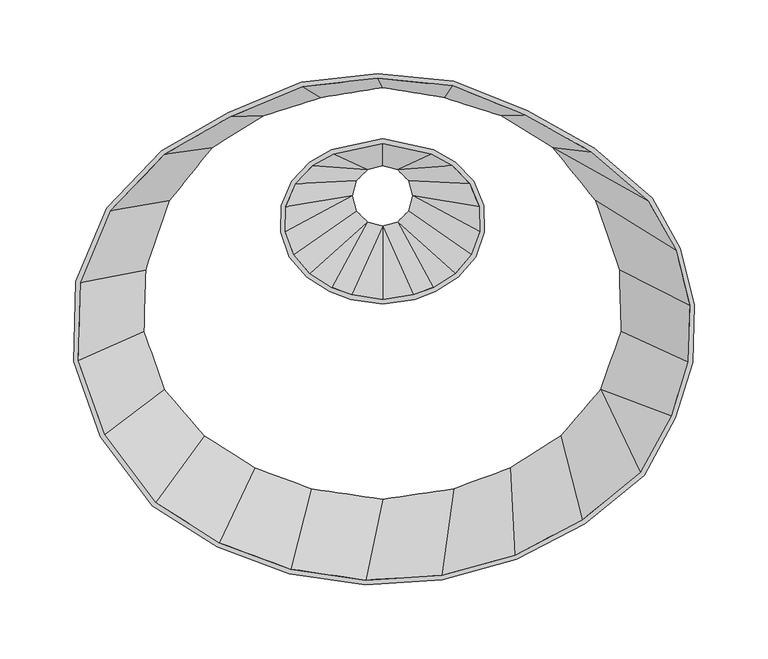
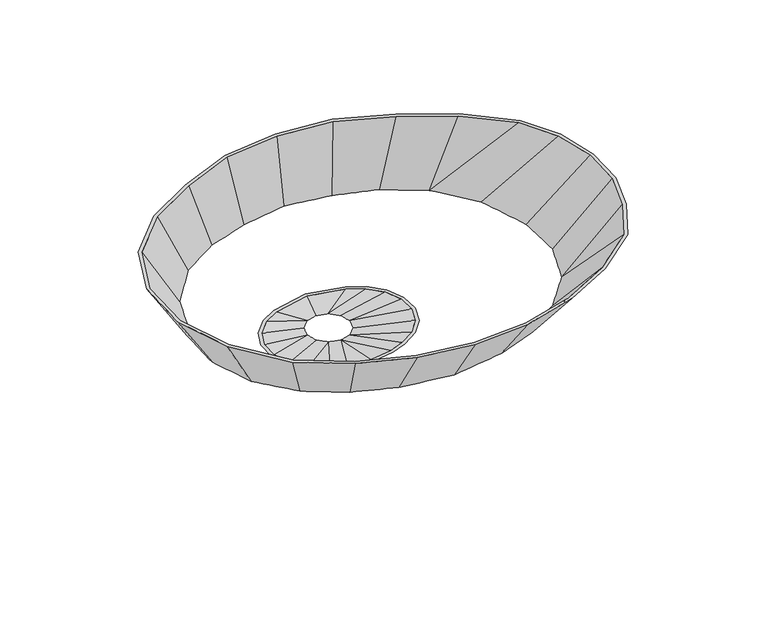
"""IFC4 building model written with IfcOpenShell, lengths in millimetres: furniture geometry."""

from ifc_helpers import new_model, si_unit, frame, origin, place, context, project, spatial, source, transform, mapped, element, save
from ifc_brep_helpers import plane_surface, spline_surface, advanced_brep


def furniture_0eb622ca(model_context):
    return source(origin(), model_context, "Body", "AdvancedBrep", [
        advanced_brep(
        [(18.7377049, -168.1204068, 750.6956955), (-15.5833152, -175.4794291, 750.6956955), (-30.5522779, -184.0432232, 750.6956955), (-42.9697976, -197.0068215, 750.6956955), (-49.8899966, -213.5706724, 750.6956955), (-50.3855513, -231.5151439, 750.6956955), (-44.3900597, -248.4356591, 750.6956955), (-32.7069066, -262.0648054, 750.6956955), (-17.1439621, -271.8912115, 750.6956955), (-2.9492076, -277.1476864, 750.6956955), (18.7377049, -280.3393492, 750.6956955), (40.4246174, -277.1476864, 750.6956955), (54.6193719, -271.8912115, 750.6956955), (70.1823164, -262.0648054, 750.6956955), (81.8654696, -248.4356591, 750.6956955), (87.8609612, -231.5151439, 750.6956955), (87.3654064, -213.5706724, 750.6956955), (80.4452074, -197.0068215, 750.6956955), (68.0276878, -184.0432232, 750.6956955), (53.058725, -175.4794291, 750.6956955), (-28.5770714, -186.5710742, 750.6956955), (-14.4350781, -178.480392, 750.6956955), (18.7377049, -171.3675717, 750.6956955), (51.910488, -178.480392, 750.6956955), (66.0524813, -186.5710742, 750.6956955), (77.7434795, -198.7762011, 750.6956955), (84.2079343, -214.2492051, 750.6956955), (84.6708533, -231.0119058, 750.6956955), (79.0702084, -246.8180821, 750.6956955), (68.0829473, -259.6354257, 750.6956955), (53.2052299, -269.0291811, 750.6956955), (39.6336228, -274.0548976, 750.6956955), (18.7377049, -277.1301497, 750.6956955), (-2.1582129, -274.0548976, 750.6956955), (-15.7298201, -269.0291811, 750.6956955), (-30.6075374, -259.6354257, 750.6956955), (-41.5947986, -246.8180821, 750.6956955), (-47.1954435, -231.0119058, 750.6956955), (-46.7325245, -214.2492051, 750.6956955), (-40.2680696, -198.7762011, 750.6956955), (18.7502473, -183.1179709, 740.1546495), (30.6564973, -186.3082376, 740.1546495), (39.3724806, -195.0242209, 740.1546495), (42.5627473, -206.9304709, 740.1546495), (39.3724806, -218.8367209, 740.1546495), (30.6564973, -227.5527041, 740.1546495), (18.7502473, -230.7429709, 740.1546495), (6.8439973, -227.5527041, 740.1546495), (-1.8719859, -218.8367209, 740.1546495), (-5.0622527, -206.9304709, 740.1546495), (-1.8719859, -195.0242209, 740.1546495), (6.8439973, -186.3082376, 740.1546495), (8.4874979, -189.154865, 740.1546495), (0.9746415, -196.6677215, 740.1546495), (-1.7752511, -206.9304709, 740.1546495), (0.9746415, -217.1932202, 740.1546495), (8.4874979, -224.7060767, 740.1546495), (18.7502473, -227.4559692, 740.1546495), (29.0129967, -224.7060767, 740.1546495), (36.5258531, -217.1932202, 740.1546495), (39.2757457, -206.9304709, 740.1546495), (36.5258531, -196.6677215, 740.1546495), (29.0129967, -189.154865, 740.1546495), (18.7502473, -186.4049725, 740.1546495)],
        [
            (0, 1),
            (1, 2),
            (2, 3),
            (3, 4),
            (4, 5),
            (5, 6),
            (6, 7),
            (7, 8),
            (8, 9),
            (9, 10),
            (10, 11),
            (11, 12),
            (12, 13),
            (13, 14),
            (14, 15),
            (15, 16),
            (16, 17),
            (17, 18),
            (18, 19),
            (19, 0),
            (20, 21),
            (21, 22),
            (22, 23),
            (23, 24),
            (24, 25),
            (25, 26),
            (26, 27),
            (27, 28),
            (28, 29),
            (29, 30),
            (30, 31),
            (31, 32),
            (32, 33),
            (33, 34),
            (34, 35),
            (35, 36),
            (36, 37),
            (37, 38),
            (38, 39),
            (39, 20),
            (40, 41),
            (41, 42),
            (42, 43),
            (43, 44),
            (44, 45),
            (45, 46),
            (46, 47),
            (47, 48),
            (48, 49),
            (49, 50),
            (50, 51),
            (51, 40),
            (52, 53),
            (53, 54),
            (54, 55),
            (55, 56),
            (56, 57),
            (57, 58),
            (58, 59),
            (59, 60),
            (60, 61),
            (61, 62),
            (62, 63),
            (63, 52),
            (0, 40),
            (51, 1),
            (51, 2),
            (50, 3),
            (49, 4),
            (49, 5),
            (48, 6),
            (47, 7),
            (47, 8),
            (46, 9),
            (46, 10),
            (46, 11),
            (45, 12),
            (45, 13),
            (44, 14),
            (43, 15),
            (43, 16),
            (42, 17),
            (41, 18),
            (41, 19),
            (20, 52),
            (52, 21),
            (39, 53),
            (38, 54),
            (37, 54),
            (36, 55),
            (35, 56),
            (34, 56),
            (33, 57),
            (32, 57),
            (31, 57),
            (30, 58),
            (29, 58),
            (28, 59),
            (27, 60),
            (26, 60),
            (25, 61),
            (24, 62),
            (23, 62),
            (22, 63),
        ],
        [
            plane_surface(frame((18.7377049, -228.538453, 750.6956955), z_axis=(0.0, 0.0, 1.0), x_axis=(-0.9777760359264014, -0.2096521489707481, 0.0))),
            plane_surface(frame((18.7502473, -206.9304709, 740.1546495), z_axis=(0.0, 0.0, -1.0), x_axis=(-0.9777760359264014, -0.2096521489707481, 0.0))),
            spline_surface(1, 1, [[(18.7502473, -183.1179709, 740.1546495), (18.7377049, -168.1204068, 750.6956955)], [(6.8439973, -186.3082376, 740.1546495), (-15.5833152, -175.4794291, 750.6956955)]], [2, 2], [2, 2], [0.0, 1.0], [0.0, 1.0]),
            plane_surface(frame((6.8439973, -186.3082376, 740.1546495), z_axis=(-0.22676185041430638, 0.3963651672834325, -0.889648086245936), x_axis=(-0.8679907178502557, -0.4965804201997878, 0.0))),
            spline_surface(1, 1, [[(6.8439973, -186.3082376, 740.1546495), (-30.5522779, -184.0432232, 750.6956955)], [(-1.8719859, -195.0242209, 740.1546495), (-42.9697976, -197.0068215, 750.6956955)]], [2, 2], [2, 2], [0.0, 1.0], [0.0, 1.0]),
            spline_surface(1, 1, [[(-1.8719859, -195.0242209, 740.1546495), (-42.9697976, -197.0068215, 750.6956955)], [(-5.0622527, -206.9304709, 740.1546495), (-49.8899966, -213.5706724, 750.6956955)]], [2, 2], [2, 2], [0.0, 1.0], [0.0, 1.0]),
            plane_surface(frame((-5.0622527, -206.9304709, 740.1546495), z_axis=(-0.22978835910847809, 0.006345838585882199, -0.9732199342136776), x_axis=(-0.02760548961262403, -0.9996188958514376, 0.0))),
            spline_surface(1, 1, [[(-5.0622527, -206.9304709, 740.1546495), (-50.3855513, -231.5151439, 750.6956955)], [(-1.8719859, -218.8367209, 740.1546495), (-44.3900597, -248.4356591, 750.6956955)]], [2, 2], [2, 2], [0.0, 1.0], [0.0, 1.0]),
            spline_surface(1, 1, [[(-1.8719859, -218.8367209, 740.1546495), (-44.3900597, -248.4356591, 750.6956955)], [(6.8439973, -227.5527041, 740.1546495), (-32.7069066, -262.0648054, 750.6956955)]], [2, 2], [2, 2], [0.0, 1.0], [0.0, 1.0]),
            plane_surface(frame((6.8439973, -227.5527041, 740.1546495), z_axis=(-0.10950888753115123, -0.17343886598891994, -0.978737331114006), x_axis=(0.8455581181800956, -0.5338833850006344, 0.0))),
            spline_surface(1, 1, [[(6.8439973, -227.5527041, 740.1546495), (-17.1439621, -271.8912115, 750.6956955)], [(18.7502473, -230.7429709, 740.1546495), (-2.9492076, -277.1476864, 750.6956955)]], [2, 2], [2, 2], [0.0, 1.0], [0.0, 1.0]),
            plane_surface(frame((18.7502473, -230.7429709, 740.1546495), z_axis=(-0.030580216171947783, -0.2077883882019196, -0.9776956766332383), x_axis=(0.9893432972940192, -0.14560164868365444, 0.0))),
            plane_surface(frame((18.7502473, -230.7429709, 740.1546495), z_axis=(0.03058239208429286, -0.20780317322883082, -0.9776924662133956), x_axis=(0.9893432972940192, 0.14560164868365444, 0.0))),
            spline_surface(1, 1, [[(18.7502473, -230.7429709, 740.1546495), (40.4246174, -277.1476864, 750.6956955)], [(30.6564973, -227.5527041, 740.1546495), (54.6193719, -271.8912115, 750.6956955)]], [2, 2], [2, 2], [0.0, 1.0], [0.0, 1.0]),
            plane_surface(frame((30.6564973, -227.5527041, 740.1546495), z_axis=(0.10953682581018129, -0.17348311430101493, -0.9787263625977647), x_axis=(0.8455581181800956, 0.5338833850006344, 0.0))),
            spline_surface(1, 1, [[(30.6564973, -227.5527041, 740.1546495), (70.1823164, -262.0648054, 750.6956955)], [(39.3724806, -218.8367209, 740.1546495), (81.8654696, -248.4356591, 750.6956955)]], [2, 2], [2, 2], [0.0, 1.0], [0.0, 1.0]),
            spline_surface(1, 1, [[(39.3724806, -218.8367209, 740.1546495), (81.8654696, -248.4356591, 750.6956955)], [(42.5627473, -206.9304709, 740.1546495), (87.8609612, -231.5151439, 750.6956955)]], [2, 2], [2, 2], [0.0, 1.0], [0.0, 1.0]),
            plane_surface(frame((42.5627473, -206.9304709, 740.1546495), z_axis=(0.2299107131132436, 0.00634921751581403, -0.9731910148746219), x_axis=(-0.02760548961262403, 0.9996188958514376, 0.0))),
            spline_surface(1, 1, [[(42.5627473, -206.9304709, 740.1546495), (87.3654064, -213.5706724, 750.6956955)], [(39.3724806, -195.0242209, 740.1546495), (80.4452074, -197.0068215, 750.6956955)]], [2, 2], [2, 2], [0.0, 1.0], [0.0, 1.0]),
            spline_surface(1, 1, [[(39.3724806, -195.0242209, 740.1546495), (80.4452074, -197.0068215, 750.6956955)], [(30.6564973, -186.3082376, 740.1546495), (68.0276878, -184.0432232, 750.6956955)]], [2, 2], [2, 2], [0.0, 1.0], [0.0, 1.0]),
            plane_surface(frame((30.6564973, -186.3082376, 740.1546495), z_axis=(0.2268707598977744, 0.39655553407376637, -0.8895354780439488), x_axis=(-0.8679907178502557, 0.4965804201997878, 0.0))),
            spline_surface(1, 1, [[(30.6564973, -186.3082376, 740.1546495), (53.058725, -175.4794291, 750.6956955)], [(18.7502473, -183.1179709, 740.1546495), (18.7377049, -168.1204068, 750.6956955)]], [2, 2], [2, 2], [0.0, 1.0], [0.0, 1.0]),
            plane_surface(frame((8.4874979, -189.154865, 740.1546495), z_axis=(0.22578689214725703, -0.3946610027782154, 0.8906531155397012), x_axis=(-0.8679907178502556, -0.4965804201997879, 0.0))),
            spline_surface(1, 1, [[(8.4874979, -189.154865, 740.1546495), (0.9746415, -196.6677215, 740.1546495)], [(-28.5770714, -186.5710742, 750.6956955), (-40.2680696, -198.7762011, 750.6956955)]], [2, 2], [2, 2], [0.0, 1.0], [0.0, 1.0]),
            spline_surface(1, 1, [[(0.9746415, -196.6677215, 740.1546495), (-1.7752511, -206.9304709, 740.1546495)], [(-40.2680696, -198.7762011, 750.6956955), (-46.7325245, -214.2492051, 750.6956955)]], [2, 2], [2, 2], [0.0, 1.0], [0.0, 1.0]),
            plane_surface(frame((-1.7752511, -206.9304709, 740.1546495), z_axis=(0.2292494726861555, -0.0063309566907964925, 0.9733471108810562), x_axis=(-0.02760548961262429, -0.9996188958514376, 0.0))),
            spline_surface(1, 1, [[(-1.7752511, -206.9304709, 740.1546495), (0.9746415, -217.1932202, 740.1546495)], [(-47.1954435, -231.0119058, 750.6956955), (-41.5947986, -246.8180821, 750.6956955)]], [2, 2], [2, 2], [0.0, 1.0], [0.0, 1.0]),
            spline_surface(1, 1, [[(0.9746415, -217.1932202, 740.1546495), (8.4874979, -224.7060767, 740.1546495)], [(-41.5947986, -246.8180821, 750.6956955), (-30.6075374, -259.6354257, 750.6956955)]], [2, 2], [2, 2], [0.0, 1.0], [0.0, 1.0]),
            plane_surface(frame((8.4874979, -224.7060767, 740.1546495), z_axis=(0.10928112966596355, 0.17307814580676173, 0.9788266394735201), x_axis=(0.845558118180096, -0.5338833850006338, 0.0))),
            spline_surface(1, 1, [[(8.4874979, -224.7060767, 740.1546495), (18.7502473, -227.4559692, 740.1546495)], [(-15.7298201, -269.0291811, 750.6956955), (-2.1582129, -274.0548976, 750.6956955)]], [2, 2], [2, 2], [0.0, 1.0], [0.0, 1.0]),
            plane_surface(frame((18.7502473, -227.4559692, 740.1546495), z_axis=(0.030534429642633518, 0.20747727499480403, 0.9777631763198744), x_axis=(0.9893432972940192, -0.14560164868365377, 0.0))),
            plane_surface(frame((18.7502473, -227.4559692, 740.1546495), z_axis=(-0.0305365991936145, 0.2074920167971156, 0.9777599802994363), x_axis=(0.989343297294019, 0.14560164868365397, 0.0))),
            spline_surface(1, 1, [[(18.7502473, -227.4559692, 740.1546495), (29.0129967, -224.7060767, 740.1546495)], [(39.6336228, -274.0548976, 750.6956955), (53.2052299, -269.0291811, 750.6956955)]], [2, 2], [2, 2], [0.0, 1.0], [0.0, 1.0]),
            plane_surface(frame((29.0129967, -224.7060767, 740.1546495), z_axis=(-0.10930895437872662, 0.1731222142539615, 0.9788157392606818), x_axis=(0.8455581181800956, 0.5338833850006343, 0.0))),
            spline_surface(1, 1, [[(29.0129967, -224.7060767, 740.1546495), (36.5258531, -217.1932202, 740.1546495)], [(68.0829473, -259.6354257, 750.6956955), (79.0702084, -246.8180821, 750.6956955)]], [2, 2], [2, 2], [0.0, 1.0], [0.0, 1.0]),
            spline_surface(1, 1, [[(36.5258531, -217.1932202, 740.1546495), (39.2757457, -206.9304709, 740.1546495)], [(79.0702084, -246.8180821, 750.6956955), (84.6708533, -231.0119058, 750.6956955)]], [2, 2], [2, 2], [0.0, 1.0], [0.0, 1.0]),
            plane_surface(frame((39.2757457, -206.9304709, 740.1546495), z_axis=(-0.22937126927186283, -0.006334320227035704, 0.9733183945759353), x_axis=(-0.02760548961262429, 0.9996188958514376, 0.0))),
            spline_surface(1, 1, [[(39.2757457, -206.9304709, 740.1546495), (36.5258531, -196.6677215, 740.1546495)], [(84.2079343, -214.2492051, 750.6956955), (77.7434795, -198.7762011, 750.6956955)]], [2, 2], [2, 2], [0.0, 1.0], [0.0, 1.0]),
            spline_surface(1, 1, [[(36.5258531, -196.6677215, 740.1546495), (29.0129967, -189.154865, 740.1546495)], [(77.7434795, -198.7762011, 750.6956955), (66.0524813, -186.5710742, 750.6956955)]], [2, 2], [2, 2], [0.0, 1.0], [0.0, 1.0]),
            plane_surface(frame((29.0129967, -189.154865, 740.1546495), z_axis=(-0.22589498904476804, -0.3948499492204255, 0.890541953826484), x_axis=(-0.8679907178502556, 0.496580420199788, 0.0))),
            spline_surface(1, 1, [[(29.0129967, -189.154865, 740.1546495), (18.7502473, -186.4049725, 740.1546495)], [(51.910488, -178.480392, 750.6956955), (18.7377049, -171.3675717, 750.6956955)]], [2, 2], [2, 2], [0.0, 1.0], [0.0, 1.0]),
            spline_surface(1, 1, [[(18.7502473, -186.4049725, 740.1546495), (8.4874979, -189.154865, 740.1546495)], [(18.7377049, -171.3675717, 750.6956955), (-14.4350781, -178.480392, 750.6956955)]], [2, 2], [2, 2], [0.0, 1.0], [0.0, 1.0]),
        ],
        [
            (0, [[1, 2, 3, 4, 5, 6, 7, 8, 9, 10, 11, 12, 13, 14, 15, 16, 17, 18, 19, 20], [21, 22, 23, 24, 25, 26, 27, 28, 29, 30, 31, 32, 33, 34, 35, 36, 37, 38, 39, 40]]),
            (1, [[41, 42, 43, 44, 45, 46, 47, 48, 49, 50, 51, 52], [53, 54, 55, 56, 57, 58, 59, 60, 61, 62, 63, 64]]),
            (2, [[-1, 65, -52, 66]]),
            (3, [[-2, -66, 67]]),
            (4, [[-3, -67, -51, 68]]),
            (5, [[-4, -68, -50, 69]]),
            (6, [[-5, -69, 70]]),
            (7, [[-6, -70, -49, 71]]),
            (8, [[-7, -71, -48, 72]]),
            (9, [[-8, -72, 73]]),
            (10, [[-9, -73, -47, 74]]),
            (11, [[-10, -74, 75]]),
            (12, [[-11, -75, 76]]),
            (13, [[-12, -76, -46, 77]]),
            (14, [[-13, -77, 78]]),
            (15, [[-14, -78, -45, 79]]),
            (16, [[-15, -79, -44, 80]]),
            (17, [[-16, -80, 81]]),
            (18, [[-17, -81, -43, 82]]),
            (19, [[-18, -82, -42, 83]]),
            (20, [[-19, -83, 84]]),
            (21, [[-20, -84, -41, -65]]),
            (22, [[85, 86, -21]]),
            (23, [[-85, -40, 87, -53]]),
            (24, [[-87, -39, 88, -54]]),
            (25, [[-88, -38, 89]]),
            (26, [[-89, -37, 90, -55]]),
            (27, [[-90, -36, 91, -56]]),
            (28, [[-91, -35, 92]]),
            (29, [[-92, -34, 93, -57]]),
            (30, [[-93, -33, 94]]),
            (31, [[-94, -32, 95]]),
            (32, [[-95, -31, 96, -58]]),
            (33, [[-96, -30, 97]]),
            (34, [[-97, -29, 98, -59]]),
            (35, [[-98, -28, 99, -60]]),
            (36, [[-99, -27, 100]]),
            (37, [[-100, -26, 101, -61]]),
            (38, [[-101, -25, 102, -62]]),
            (39, [[-102, -24, 103]]),
            (40, [[-103, -23, 104, -63]]),
            (41, [[-86, -64, -104, -22]]),
        ],
    ),
        advanced_brep(
        [(-36.2924981, -129.6580708, 887.48362), (-85.7509163, -150.3757834, 887.48362), (-130.8877143, -176.1986803, 887.48362), (-168.3309775, -215.2885726, 887.48362), (-189.1978451, -265.234452, 887.48362), (-190.6921126, -319.3434676, 887.48362), (-172.6135422, -370.3648446, 887.48362), (-137.3847014, -417.400709, 887.48362), (-93.2756205, -445.2510803, 887.48362), (-44.3564135, -463.366399, 887.48362), (7.2532996, -470.9617566, 887.48362), (59.3173637, -467.7081034, 887.48362), (109.5799207, -453.746383, 887.48362), (155.8631422, -429.6815364, 887.48362), (196.1616272, -396.5562328, 887.48362), (217.3921263, -357.6151867, 887.48362), (229.0085321, -320.1329179, 887.48362), (230.1622044, -280.908786, 887.48362), (220.7688461, -242.808568, 887.48362), (201.5147161, -208.6158513, 887.48362), (162.2176598, -174.5586278, 887.48362), (116.7947056, -149.2424405, 887.48362), (67.1596357, -129.0791999, 887.48362), (15.4037106, -124.03177, 887.48362), (-128.912508, -178.7265314, 887.48362), (-84.3439315, -153.2287157, 887.48362), (-35.4908467, -132.7645723, 887.48362), (15.4215704, -127.2235745, 887.48362), (66.3922003, -132.1944195, 887.48362), (115.4192187, -152.1106515, 887.48362), (160.3858146, -177.1724905, 887.48362), (199.0186923, -210.6540964, 887.48362), (217.7898193, -243.9890654, 887.48362), (226.9758448, -281.2483247, 887.48362), (225.8476366, -319.606692, 887.48362), (214.4530776, -356.3731352, 887.48362), (193.6691606, -394.4950589, 887.48362), (154.1036777, -427.0178358, 887.48362), (108.4100272, -450.7761364, 887.48362), (58.78773, -464.5600082, 887.48362), (7.3868729, -467.7722153, 887.48362), (-43.5654203, -460.2736097, 887.48362), (-91.8614786, -442.3890498, 887.48362), (-135.1944899, -415.0286871, 887.48362), (-169.7823793, -368.8485902, 887.48362), (-187.5020047, -318.8402284, 887.48362), (-186.0403729, -265.9129849, 887.48362), (-165.6292497, -217.0579524, 887.48362), (-24.0597237, -137.2040855, 819.3039971), (18.7377049, -130.2570379, 819.3039971), (61.5351335, -137.2040855, 819.3039971), (100.7101042, -149.7707967, 819.3039971), (136.4620281, -171.7890657, 819.3039971), (166.1200561, -208.6531673, 819.3039971), (182.6482714, -256.6473671, 819.3039971), (183.8318474, -299.5059975, 819.3039971), (169.5121819, -339.9189559, 819.3039971), (141.6081529, -372.4708933, 819.3039971), (106.67026, -394.530557, 819.3039971), (67.922389, -408.8793178, 819.3039971), (18.7377049, -416.1178339, 819.3039971), (-30.4469791, -408.8793178, 819.3039971), (-69.1948502, -394.530557, 819.3039971), (-104.1327431, -372.4708933, 819.3039971), (-132.036772, -339.9189559, 819.3039971), (-146.3564376, -299.5059975, 819.3039971), (-145.1728616, -256.6473671, 819.3039971), (-128.6446462, -208.6531673, 819.3039971), (-98.9866182, -171.7890657, 819.3039971), (-63.2346944, -149.7707967, 819.3039971), (-61.897904, -152.6763339, 819.3039971), (-96.8557965, -174.2055888, 819.3039971), (-125.8232407, -210.211314, 819.3039971), (-142.0124997, -257.2212613, 819.3039971), (-143.1663298, -299.0027578, 819.3039971), (-129.2415108, -338.3013803, 819.3039971), (-102.0333726, -370.041514, 819.3039971), (-67.7807095, -391.668526, 819.3039971), (-29.6559845, -405.7865291, 819.3039971), (18.7377049, -412.9086344, 819.3039971), (67.1313943, -405.7865291, 819.3039971), (105.2561194, -391.668526, 819.3039971), (139.5087825, -370.041514, 819.3039971), (166.7169206, -338.3013803, 819.3039971), (180.6417396, -299.0027578, 819.3039971), (179.4879095, -257.2212613, 819.3039971), (163.2986505, -210.211314, 819.3039971), (134.3312064, -174.2055888, 819.3039971), (99.3733139, -152.6763339, 819.3039971), (60.7917211, -140.2999691, 819.3039971), (18.7377049, -133.4735951, 819.3039971), (-23.3163113, -140.2999691, 819.3039971)],
        [
            (0, 1),
            (1, 2),
            (2, 3),
            (3, 4),
            (4, 5),
            (5, 6),
            (6, 7),
            (7, 8),
            (8, 9),
            (9, 10),
            (10, 11),
            (11, 12),
            (12, 13),
            (13, 14),
            (14, 15),
            (15, 16),
            (16, 17),
            (17, 18),
            (18, 19),
            (19, 20),
            (20, 21),
            (21, 22),
            (22, 23),
            (23, 0),
            (24, 25),
            (25, 26),
            (26, 27),
            (27, 28),
            (28, 29),
            (29, 30),
            (30, 31),
            (31, 32),
            (32, 33),
            (33, 34),
            (34, 35),
            (35, 36),
            (36, 37),
            (37, 38),
            (38, 39),
            (39, 40),
            (40, 41),
            (41, 42),
            (42, 43),
            (43, 44),
            (44, 45),
            (45, 46),
            (46, 47),
            (47, 24),
            (48, 49),
            (49, 50),
            (50, 51),
            (51, 52),
            (52, 53),
            (53, 54),
            (54, 55),
            (55, 56),
            (56, 57),
            (57, 58),
            (58, 59),
            (59, 60),
            (60, 61),
            (61, 62),
            (62, 63),
            (63, 64),
            (64, 65),
            (65, 66),
            (66, 67),
            (67, 68),
            (68, 69),
            (69, 48),
            (70, 71),
            (71, 72),
            (72, 73),
            (73, 74),
            (74, 75),
            (75, 76),
            (76, 77),
            (77, 78),
            (78, 79),
            (79, 80),
            (80, 81),
            (81, 82),
            (82, 83),
            (83, 84),
            (84, 85),
            (85, 86),
            (86, 87),
            (87, 88),
            (88, 89),
            (89, 90),
            (90, 91),
            (91, 70),
            (0, 48),
            (69, 1),
            (68, 2),
            (67, 3),
            (66, 4),
            (65, 5),
            (64, 6),
            (63, 7),
            (62, 8),
            (61, 9),
            (60, 10),
            (59, 11),
            (58, 12),
            (57, 13),
            (56, 14),
            (56, 15),
            (55, 16),
            (54, 17),
            (53, 18),
            (52, 19),
            (52, 20),
            (51, 21),
            (50, 22),
            (49, 23),
            (70, 25),
            (24, 71),
            (47, 72),
            (46, 73),
            (45, 74),
            (44, 75),
            (43, 76),
            (42, 77),
            (41, 78),
            (40, 79),
            (39, 80),
            (38, 81),
            (37, 82),
            (36, 83),
            (35, 83),
            (34, 84),
            (33, 85),
            (32, 86),
            (31, 87),
            (30, 87),
            (29, 88),
            (28, 89),
            (27, 90),
            (26, 91),
        ],
        [
            plane_surface(frame((30.8256312, -298.2553925, 887.48362), z_axis=(0.0, 0.0, 1.0), x_axis=(-0.9941296877717526, -0.10819502710770809, 0.0))),
            plane_surface(frame((18.7377049, -273.8688763, 819.3039971), z_axis=(0.0, 0.0, -1.0), x_axis=(-0.9941296877717526, -0.10819502710770809, 0.0))),
            spline_surface(1, 1, [[(-24.0597237, -137.2040855, 819.3039971), (-36.2924981, -129.6580708, 887.48362)], [(-63.2346944, -149.7707967, 819.3039971), (-85.7509163, -150.3757834, 887.48362)]], [2, 2], [2, 2], [0.0, 1.0], [0.0, 1.0]),
            spline_surface(1, 1, [[(-63.2346944, -149.7707967, 819.3039971), (-85.7509163, -150.3757834, 887.48362)], [(-98.9866182, -171.7890657, 819.3039971), (-130.8877143, -176.1986803, 887.48362)]], [2, 2], [2, 2], [0.0, 1.0], [0.0, 1.0]),
            spline_surface(1, 1, [[(-98.9866182, -171.7890657, 819.3039971), (-130.8877143, -176.1986803, 887.48362)], [(-128.6446462, -208.6531673, 819.3039971), (-168.3309775, -215.2885726, 887.48362)]], [2, 2], [2, 2], [0.0, 1.0], [0.0, 1.0]),
            spline_surface(1, 1, [[(-128.6446462, -208.6531673, 819.3039971), (-168.3309775, -215.2885726, 887.48362)], [(-145.1728616, -256.6473671, 819.3039971), (-189.1978451, -265.234452, 887.48362)]], [2, 2], [2, 2], [0.0, 1.0], [0.0, 1.0]),
            spline_surface(1, 1, [[(-145.1728616, -256.6473671, 819.3039971), (-189.1978451, -265.234452, 887.48362)], [(-146.3564376, -299.5059975, 819.3039971), (-190.6921126, -319.3434676, 887.48362)]], [2, 2], [2, 2], [0.0, 1.0], [0.0, 1.0]),
            spline_surface(1, 1, [[(-146.3564376, -299.5059975, 819.3039971), (-190.6921126, -319.3434676, 887.48362)], [(-132.036772, -339.9189559, 819.3039971), (-172.6135422, -370.3648446, 887.48362)]], [2, 2], [2, 2], [0.0, 1.0], [0.0, 1.0]),
            spline_surface(1, 1, [[(-132.036772, -339.9189559, 819.3039971), (-172.6135422, -370.3648446, 887.48362)], [(-104.1327431, -372.4708933, 819.3039971), (-137.3847014, -417.400709, 887.48362)]], [2, 2], [2, 2], [0.0, 1.0], [0.0, 1.0]),
            spline_surface(1, 1, [[(-104.1327431, -372.4708933, 819.3039971), (-137.3847014, -417.400709, 887.48362)], [(-69.1948502, -394.530557, 819.3039971), (-93.2756205, -445.2510803, 887.48362)]], [2, 2], [2, 2], [0.0, 1.0], [0.0, 1.0]),
            spline_surface(1, 1, [[(-69.1948502, -394.530557, 819.3039971), (-93.2756205, -445.2510803, 887.48362)], [(-30.4469791, -408.8793178, 819.3039971), (-44.3564135, -463.366399, 887.48362)]], [2, 2], [2, 2], [0.0, 1.0], [0.0, 1.0]),
            spline_surface(1, 1, [[(-30.4469791, -408.8793178, 819.3039971), (-44.3564135, -463.366399, 887.48362)], [(18.7377049, -416.1178339, 819.3039971), (7.2532996, -470.9617566, 887.48362)]], [2, 2], [2, 2], [0.0, 1.0], [0.0, 1.0]),
            spline_surface(1, 1, [[(18.7377049, -416.1178339, 819.3039971), (7.2532996, -470.9617566, 887.48362)], [(67.922389, -408.8793178, 819.3039971), (59.3173637, -467.7081034, 887.48362)]], [2, 2], [2, 2], [0.0, 1.0], [0.0, 1.0]),
            spline_surface(1, 1, [[(67.922389, -408.8793178, 819.3039971), (59.3173637, -467.7081034, 887.48362)], [(106.67026, -394.530557, 819.3039971), (109.5799207, -453.746383, 887.48362)]], [2, 2], [2, 2], [0.0, 1.0], [0.0, 1.0]),
            spline_surface(1, 1, [[(106.67026, -394.530557, 819.3039971), (109.5799207, -453.746383, 887.48362)], [(141.6081529, -372.4708933, 819.3039971), (155.8631422, -429.6815364, 887.48362)]], [2, 2], [2, 2], [0.0, 1.0], [0.0, 1.0]),
            spline_surface(1, 1, [[(141.6081529, -372.4708933, 819.3039971), (155.8631422, -429.6815364, 887.48362)], [(169.5121819, -339.9189559, 819.3039971), (196.1616272, -396.5562328, 887.48362)]], [2, 2], [2, 2], [0.0, 1.0], [0.0, 1.0]),
            plane_surface(frame((169.5121819, -339.9189559, 819.3039971), z_axis=(0.7054886878724277, -0.3846295496459175, -0.5952695362801789), x_axis=(0.47867711313528405, 0.8779910143962013, 0.0))),
            spline_surface(1, 1, [[(169.5121819, -339.9189559, 819.3039971), (217.3921263, -357.6151867, 887.48362)], [(183.8318474, -299.5059975, 819.3039971), (229.0085321, -320.1329179, 887.48362)]], [2, 2], [2, 2], [0.0, 1.0], [0.0, 1.0]),
            spline_surface(1, 1, [[(183.8318474, -299.5059975, 819.3039971), (229.0085321, -320.1329179, 887.48362)], [(182.6482714, -256.6473671, 819.3039971), (230.1622044, -280.908786, 887.48362)]], [2, 2], [2, 2], [0.0, 1.0], [0.0, 1.0]),
            spline_surface(1, 1, [[(182.6482714, -256.6473671, 819.3039971), (230.1622044, -280.908786, 887.48362)], [(166.1200561, -208.6531673, 819.3039971), (220.7688461, -242.808568, 887.48362)]], [2, 2], [2, 2], [0.0, 1.0], [0.0, 1.0]),
            spline_surface(1, 1, [[(166.1200561, -208.6531673, 819.3039971), (220.7688461, -242.808568, 887.48362)], [(136.4620281, -171.7890657, 819.3039971), (201.5147161, -208.6158513, 887.48362)]], [2, 2], [2, 2], [0.0, 1.0], [0.0, 1.0]),
            plane_surface(frame((136.4620281, -171.7890657, 819.3039971), z_axis=(0.6400707163279921, 0.7385480194361816, -0.2117930619408121), x_axis=(-0.7556912268584468, 0.6549280644843184, 0.0))),
            spline_surface(1, 1, [[(136.4620281, -171.7890657, 819.3039971), (162.2176598, -174.5586278, 887.48362)], [(100.7101042, -149.7707967, 819.3039971), (116.7947056, -149.2424405, 887.48362)]], [2, 2], [2, 2], [0.0, 1.0], [0.0, 1.0]),
            spline_surface(1, 1, [[(100.7101042, -149.7707967, 819.3039971), (116.7947056, -149.2424405, 887.48362)], [(61.5351335, -137.2040855, 819.3039971), (67.1596357, -129.0791999, 887.48362)]], [2, 2], [2, 2], [0.0, 1.0], [0.0, 1.0]),
            spline_surface(1, 1, [[(61.5351335, -137.2040855, 819.3039971), (67.1596357, -129.0791999, 887.48362)], [(18.7377049, -130.2570379, 819.3039971), (15.4037106, -124.03177, 887.48362)]], [2, 2], [2, 2], [0.0, 1.0], [0.0, 1.0]),
            spline_surface(1, 1, [[(18.7377049, -130.2570379, 819.3039971), (15.4037106, -124.03177, 887.48362)], [(-24.0597237, -137.2040855, 819.3039971), (-36.2924981, -129.6580708, 887.48362)]], [2, 2], [2, 2], [0.0, 1.0], [0.0, 1.0]),
            spline_surface(1, 1, [[(-61.897904, -152.6763339, 819.3039971), (-96.8557965, -174.2055888, 819.3039971)], [(-84.3439315, -153.2287157, 887.48362), (-128.912508, -178.7265314, 887.48362)]], [2, 2], [2, 2], [0.0, 1.0], [0.0, 1.0]),
            spline_surface(1, 1, [[(-96.8557965, -174.2055888, 819.3039971), (-125.8232407, -210.211314, 819.3039971)], [(-128.912508, -178.7265314, 887.48362), (-165.6292497, -217.0579524, 887.48362)]], [2, 2], [2, 2], [0.0, 1.0], [0.0, 1.0]),
            spline_surface(1, 1, [[(-125.8232407, -210.211314, 819.3039971), (-142.0124997, -257.2212613, 819.3039971)], [(-165.6292497, -217.0579524, 887.48362), (-186.0403729, -265.9129849, 887.48362)]], [2, 2], [2, 2], [0.0, 1.0], [0.0, 1.0]),
            spline_surface(1, 1, [[(-142.0124997, -257.2212613, 819.3039971), (-143.1663298, -299.0027578, 819.3039971)], [(-186.0403729, -265.9129849, 887.48362), (-187.5020047, -318.8402284, 887.48362)]], [2, 2], [2, 2], [0.0, 1.0], [0.0, 1.0]),
            spline_surface(1, 1, [[(-143.1663298, -299.0027578, 819.3039971), (-129.2415108, -338.3013803, 819.3039971)], [(-187.5020047, -318.8402284, 887.48362), (-169.7823793, -368.8485902, 887.48362)]], [2, 2], [2, 2], [0.0, 1.0], [0.0, 1.0]),
            spline_surface(1, 1, [[(-129.2415108, -338.3013803, 819.3039971), (-102.0333726, -370.041514, 819.3039971)], [(-169.7823793, -368.8485902, 887.48362), (-135.1944899, -415.0286871, 887.48362)]], [2, 2], [2, 2], [0.0, 1.0], [0.0, 1.0]),
            spline_surface(1, 1, [[(-102.0333726, -370.041514, 819.3039971), (-67.7807095, -391.668526, 819.3039971)], [(-135.1944899, -415.0286871, 887.48362), (-91.8614786, -442.3890498, 887.48362)]], [2, 2], [2, 2], [0.0, 1.0], [0.0, 1.0]),
            spline_surface(1, 1, [[(-67.7807095, -391.668526, 819.3039971), (-29.6559845, -405.7865291, 819.3039971)], [(-91.8614786, -442.3890498, 887.48362), (-43.5654203, -460.2736097, 887.48362)]], [2, 2], [2, 2], [0.0, 1.0], [0.0, 1.0]),
            spline_surface(1, 1, [[(-29.6559845, -405.7865291, 819.3039971), (18.7377049, -412.9086344, 819.3039971)], [(-43.5654203, -460.2736097, 887.48362), (7.3868729, -467.7722153, 887.48362)]], [2, 2], [2, 2], [0.0, 1.0], [0.0, 1.0]),
            spline_surface(1, 1, [[(18.7377049, -412.9086344, 819.3039971), (67.1313943, -405.7865291, 819.3039971)], [(7.3868729, -467.7722153, 887.48362), (58.78773, -464.5600082, 887.48362)]], [2, 2], [2, 2], [0.0, 1.0], [0.0, 1.0]),
            spline_surface(1, 1, [[(67.1313943, -405.7865291, 819.3039971), (105.2561194, -391.668526, 819.3039971)], [(58.78773, -464.5600082, 887.48362), (108.4100272, -450.7761364, 887.48362)]], [2, 2], [2, 2], [0.0, 1.0], [0.0, 1.0]),
            spline_surface(1, 1, [[(105.2561194, -391.668526, 819.3039971), (139.5087825, -370.041514, 819.3039971)], [(108.4100272, -450.7761364, 887.48362), (154.1036777, -427.0178358, 887.48362)]], [2, 2], [2, 2], [0.0, 1.0], [0.0, 1.0]),
            spline_surface(1, 1, [[(139.5087825, -370.041514, 819.3039971), (166.7169206, -338.3013803, 819.3039971)], [(154.1036777, -427.0178358, 887.48362), (193.6691606, -394.4950589, 887.48362)]], [2, 2], [2, 2], [0.0, 1.0], [0.0, 1.0]),
            plane_surface(frame((166.7169206, -338.3013803, 819.3039971), z_axis=(-0.7052238532019549, 0.3844851628658238, 0.5956764863674148), x_axis=(0.4786771131352842, 0.8779910143962012, 0.0))),
            spline_surface(1, 1, [[(166.7169206, -338.3013803, 819.3039971), (180.6417396, -299.0027578, 819.3039971)], [(214.4530776, -356.3731352, 887.48362), (225.8476366, -319.606692, 887.48362)]], [2, 2], [2, 2], [0.0, 1.0], [0.0, 1.0]),
            spline_surface(1, 1, [[(180.6417396, -299.0027578, 819.3039971), (179.4879095, -257.2212613, 819.3039971)], [(225.8476366, -319.606692, 887.48362), (226.9758448, -281.2483247, 887.48362)]], [2, 2], [2, 2], [0.0, 1.0], [0.0, 1.0]),
            spline_surface(1, 1, [[(179.4879095, -257.2212613, 819.3039971), (163.2986505, -210.211314, 819.3039971)], [(226.9758448, -281.2483247, 887.48362), (217.7898193, -243.9890654, 887.48362)]], [2, 2], [2, 2], [0.0, 1.0], [0.0, 1.0]),
            spline_surface(1, 1, [[(163.2986505, -210.211314, 819.3039971), (134.3312064, -174.2055888, 819.3039971)], [(217.7898193, -243.9890654, 887.48362), (199.0186923, -210.6540964, 887.48362)]], [2, 2], [2, 2], [0.0, 1.0], [0.0, 1.0]),
            plane_surface(frame((134.3312064, -174.2055888, 819.3039971), z_axis=(-0.63997988286318, -0.7384432108988993, 0.2124320451526901), x_axis=(-0.7556912268584468, 0.6549280644843185, 0.0))),
            spline_surface(1, 1, [[(134.3312064, -174.2055888, 819.3039971), (99.3733139, -152.6763339, 819.3039971)], [(160.3858146, -177.1724905, 887.48362), (115.4192187, -152.1106515, 887.48362)]], [2, 2], [2, 2], [0.0, 1.0], [0.0, 1.0]),
            spline_surface(1, 1, [[(99.3733139, -152.6763339, 819.3039971), (60.7917211, -140.2999691, 819.3039971)], [(115.4192187, -152.1106515, 887.48362), (66.3922003, -132.1944195, 887.48362)]], [2, 2], [2, 2], [0.0, 1.0], [0.0, 1.0]),
            spline_surface(1, 1, [[(60.7917211, -140.2999691, 819.3039971), (18.7377049, -133.4735951, 819.3039971)], [(66.3922003, -132.1944195, 887.48362), (15.4215704, -127.2235745, 887.48362)]], [2, 2], [2, 2], [0.0, 1.0], [0.0, 1.0]),
            spline_surface(1, 1, [[(18.7377049, -133.4735951, 819.3039971), (-23.3163113, -140.2999691, 819.3039971)], [(15.4215704, -127.2235745, 887.48362), (-35.4908467, -132.7645723, 887.48362)]], [2, 2], [2, 2], [0.0, 1.0], [0.0, 1.0]),
            spline_surface(1, 1, [[(-23.3163113, -140.2999691, 819.3039971), (-61.897904, -152.6763339, 819.3039971)], [(-35.4908467, -132.7645723, 887.48362), (-84.3439315, -153.2287157, 887.48362)]], [2, 2], [2, 2], [0.0, 1.0], [0.0, 1.0]),
        ],
        [
            (0, [[1, 2, 3, 4, 5, 6, 7, 8, 9, 10, 11, 12, 13, 14, 15, 16, 17, 18, 19, 20, 21, 22, 23, 24], [25, 26, 27, 28, 29, 30, 31, 32, 33, 34, 35, 36, 37, 38, 39, 40, 41, 42, 43, 44, 45, 46, 47, 48]]),
            (1, [[49, 50, 51, 52, 53, 54, 55, 56, 57, 58, 59, 60, 61, 62, 63, 64, 65, 66, 67, 68, 69, 70], [71, 72, 73, 74, 75, 76, 77, 78, 79, 80, 81, 82, 83, 84, 85, 86, 87, 88, 89, 90, 91, 92]]),
            (2, [[-1, 93, -70, 94]]),
            (3, [[-2, -94, -69, 95]]),
            (4, [[-3, -95, -68, 96]]),
            (5, [[-4, -96, -67, 97]]),
            (6, [[-5, -97, -66, 98]]),
            (7, [[-6, -98, -65, 99]]),
            (8, [[-7, -99, -64, 100]]),
            (9, [[-8, -100, -63, 101]]),
            (10, [[-9, -101, -62, 102]]),
            (11, [[-10, -102, -61, 103]]),
            (12, [[-11, -103, -60, 104]]),
            (13, [[-12, -104, -59, 105]]),
            (14, [[-13, -105, -58, 106]]),
            (15, [[-14, -106, -57, 107]]),
            (16, [[-15, -107, 108]]),
            (17, [[-16, -108, -56, 109]]),
            (18, [[-17, -109, -55, 110]]),
            (19, [[-18, -110, -54, 111]]),
            (20, [[-19, -111, -53, 112]]),
            (21, [[-20, -112, 113]]),
            (22, [[-21, -113, -52, 114]]),
            (23, [[-22, -114, -51, 115]]),
            (24, [[-23, -115, -50, 116]]),
            (25, [[-24, -116, -49, -93]]),
            (26, [[117, -25, 118, -71]]),
            (27, [[-118, -48, 119, -72]]),
            (28, [[-119, -47, 120, -73]]),
            (29, [[-120, -46, 121, -74]]),
            (30, [[-121, -45, 122, -75]]),
            (31, [[-122, -44, 123, -76]]),
            (32, [[-123, -43, 124, -77]]),
            (33, [[-124, -42, 125, -78]]),
            (34, [[-125, -41, 126, -79]]),
            (35, [[-126, -40, 127, -80]]),
            (36, [[-127, -39, 128, -81]]),
            (37, [[-128, -38, 129, -82]]),
            (38, [[-129, -37, 130, -83]]),
            (39, [[-130, -36, 131]]),
            (40, [[-131, -35, 132, -84]]),
            (41, [[-132, -34, 133, -85]]),
            (42, [[-133, -33, 134, -86]]),
            (43, [[-134, -32, 135, -87]]),
            (44, [[-135, -31, 136]]),
            (45, [[-136, -30, 137, -88]]),
            (46, [[-137, -29, 138, -89]]),
            (47, [[-138, -28, 139, -90]]),
            (48, [[-139, -27, 140, -91]]),
            (49, [[-117, -92, -140, -26]]),
        ],
    ),
    ])


if __name__ == "__main__":
    model = new_model("IFC4")
    model_context = context("Model", 3, world=origin())
    ifc_project = project(units=[si_unit("LENGTHUNIT", "METRE", prefix="MILLI")], contexts=[model_context])
    site = spatial("IfcSite", under=ifc_project)
    building = spatial("IfcBuilding", under=site)
    placement = place(None, origin())
    furniture_shape = furniture_0eb622ca(model_context)
    element("IfcFurniture", 1, at=placement, inside=building, context=model_context, shape_type="MappedRepresentation", body=[
        mapped(furniture_shape, transform((0.0, 0.0, 0.0), x_axis=(1.0, 0.0, 0.0), y_axis=(0.0, 1.0, 0.0), z_axis=(0.0, 0.0, 1.0))),
    ])
    save(model, "model.ifc")
